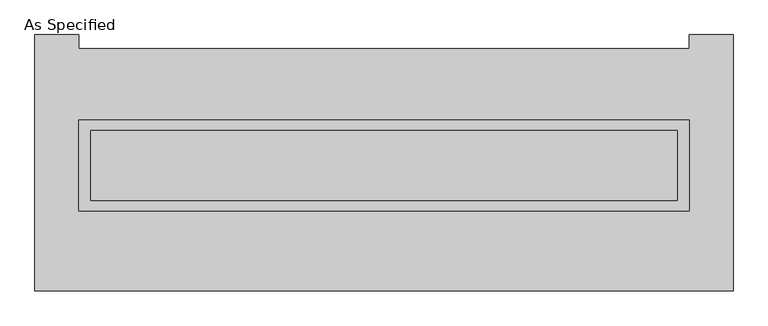
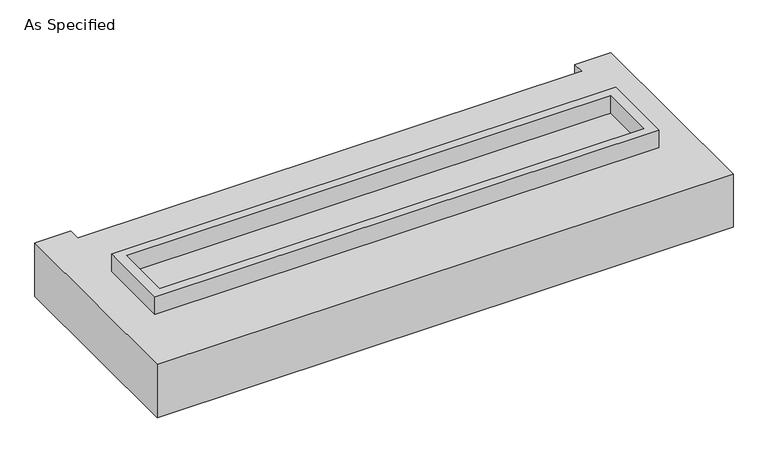
"""IFC4 building model written with IfcOpenShell, lengths in millimetres: proxy geometry, As Specified."""

from ifc_helpers import new_model, si_unit, frame, origin, place, context, project, spatial, polyline, outline, extrude, faceted_brep, source, transform, mapped, element, save


def as_specified_c37fe850(model_context):
    return source(origin(), model_context, "Body", "SolidModel", [
        extrude(outline(polyline([(2222.5, 361.95), (2222.5, -298.45), (-2222.5, -298.45), (-2222.5, 361.95), (2222.5, 361.95)]), holes=[polyline([(2133.6, 285.75), (-2133.6, 285.75), (-2133.6, -222.25), (2133.6, -222.25), (2133.6, 285.75)])]), frame((0.0, 0.0, -25.4), z_axis=(0.0, 0.0, 1.0), x_axis=(1.0, 0.0, 0.0)), (0.0, 0.0, 1.0), 165.1),
        extrude(outline(polyline([(2133.6, 285.75), (2133.6, -222.25), (-2133.6, -222.25), (-2133.6, 285.75), (2133.6, 285.75)])), frame((0.0, 0.0, -30.3609375), z_axis=(0.0, 0.0, 1.0), x_axis=(1.0, 0.0, 0.0)), (0.0, 0.0, 1.0), 4.9609375),
        faceted_brep([(2540.0, -882.65, -523.875), (-2540.0, -882.65, -523.875), (-2540.0, 984.25, -523.875), (-2222.5, 984.25, -523.875), (-2222.5, 882.65, -523.875), (2222.5, 882.65, -523.875), (2222.5, 984.25, -523.875), (2540.0, 984.25, -523.875), (-2540.0, -882.65, -25.4), (2540.0, -882.65, -25.4), (2540.0, 984.25, -25.4), (2222.5, 984.25, -25.4), (2222.5, 882.65, -25.4), (-2222.5, 882.65, -25.4), (-2222.5, 984.25, -25.4), (-2540.0, 984.25, -25.4), (-2222.5, -298.45, -25.4), (-2222.5, 361.95, -25.4), (2222.5, 361.95, -25.4), (2222.5, -298.45, -25.4), (2222.5, 361.95, -498.475), (-2222.5, 361.95, -498.475), (-2222.5, -298.45, -498.475), (2222.5, -298.45, -498.475)], [[[0, 1, 2, 3, 4, 5, 6, 7]], [[8, 9, 10, 11, 12, 13, 14, 15], [16, 17, 18, 19]], [[4, 13, 12, 5]], [[1, 8, 15, 2]], [[10, 9, 0, 7]], [[20, 21, 22, 23]], [[22, 21, 17, 16]], [[21, 20, 18, 17]], [[20, 23, 19, 18]], [[16, 19, 23, 22]], [[1, 0, 9, 8]], [[4, 3, 14, 13]], [[3, 2, 15, 14]], [[6, 5, 12, 11]], [[7, 6, 11, 10]]]),
    ])


if __name__ == "__main__":
    model = new_model("IFC4")
    model_context = context("Model", 3, world=origin())
    ifc_project = project(units=[si_unit("LENGTHUNIT", "METRE", prefix="MILLI")], contexts=[model_context])
    site = spatial("IfcSite", under=ifc_project)
    building = spatial("IfcBuilding", under=site)
    placement = place(None, origin())
    as_specified_shape = as_specified_c37fe850(model_context)
    element("IfcBuildingElementProxy", 1, Name="As Specified", ObjectType="As Specified", at=placement, inside=building, context=model_context, shape_type="MappedRepresentation", body=[
        mapped(as_specified_shape, transform((0.0, 0.0, 0.0), x_axis=(1.0, 0.0, 0.0), y_axis=(0.0, 1.0, 0.0), z_axis=(0.0, 0.0, 1.0))),
    ])
    save(model, "model.ifc")
